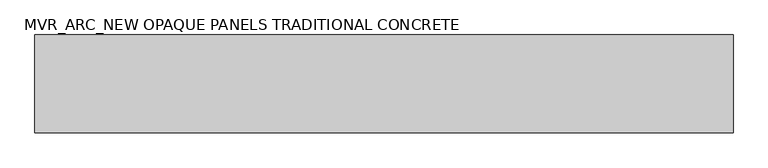
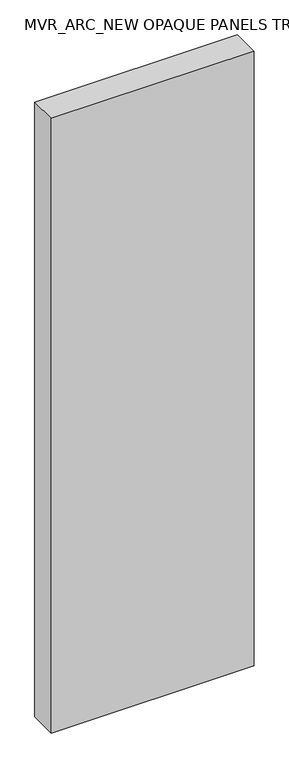
"""IFC4 building model written with IfcOpenShell, lengths in millimetres: plate geometry, MVR_ARC_NEW OPAQUE PANELS TRADITIONAL CONCRETE."""

from ifc_helpers import new_model, si_unit, origin, origin_with_axes, place, context, project, spatial, polyline, outline, extrude, source, transform, mapped, element, save


def mvr_arc_new_opaque_panels_traditional_concrete_e9559c3d(model_context):
    return source(origin(), model_context, "Body", "SweptSolid", [
        extrude(outline(polyline([(749.9979924, -60.0), (-749.9979924, -60.0), (-749.9979924, 150.0), (749.9979924, 150.0), (749.9979924, -60.0)])), origin_with_axes(), (0.0, 0.0, 1.0), 4800.0),
    ])


if __name__ == "__main__":
    model = new_model("IFC4")
    model_context = context("Model", 3, world=origin())
    ifc_project = project(units=[si_unit("LENGTHUNIT", "METRE", prefix="MILLI")], contexts=[model_context])
    site = spatial("IfcSite", under=ifc_project)
    building = spatial("IfcBuilding", under=site)
    placement = place(None, origin())
    mvr_arc_new_opaque_panels_traditional_concrete_shape = mvr_arc_new_opaque_panels_traditional_concrete_e9559c3d(model_context)
    element("IfcPlate", 1, ObjectType="MVR_ARC_NEW OPAQUE PANELS TRADITIONAL CONCRETE", at=placement, inside=building, context=model_context, shape_type="MappedRepresentation", body=[
        mapped(mvr_arc_new_opaque_panels_traditional_concrete_shape, transform((0.0, 0.0, 0.0), x_axis=(1.0, 0.0, 0.0), y_axis=(0.0, 1.0, 0.0), z_axis=(0.0, 0.0, 1.0))),
    ])
    save(model, "model.ifc")
